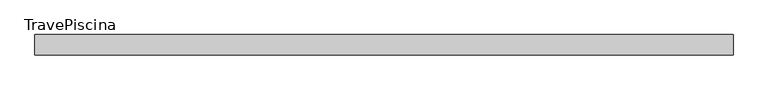
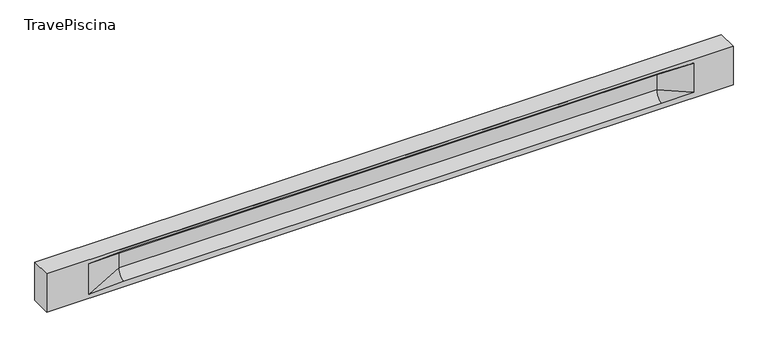
"""IFC4 building model written with IfcOpenShell, lengths in millimetres: beam geometry, TravePiscina."""

from ifc_helpers import new_model, si_unit, frame, origin, place, context, project, spatial, polyline, circle_curve, source, transform, mapped, element, save
from ifc_brep_helpers import plane_surface, revolved_surface, spline_surface, advanced_brep


def travepiscina_06851002(model_context):
    return source(origin(), model_context, "Body", "AdvancedBrep", [
        advanced_brep(
        [(8498.5, -250.0, 500.0), (8498.5, -250.0, -500.0), (8498.5, 250.0, -500.0), (8498.5, 250.0, 500.0), (-8498.5, -250.0, 500.0), (-8498.5, -250.0, -500.0), (7523.5, -250.0, -362.0), (6723.5, -250.0, -360.0), (-6598.5, -250.0, -360.0), (-7448.5, -250.0, -400.0), (-7448.5, -250.0, 400.0), (-6598.5, -250.0, 435.0), (6723.5, -250.0, 435.0), (7523.5, -250.0, 400.0), (-8498.5, 250.0, -500.0), (-8498.5, 250.0, 500.0), (7523.5, 250.0, 400.0), (6723.5, 250.0, 435.0), (-6598.5, 250.0, 435.0), (-7448.5, 250.0, 400.0), (-7448.5, 250.0, -400.0), (-6598.5, 250.0, -360.0), (6723.5, 250.0, -360.0), (7523.5, 250.0, -362.0), (6723.5, 155.0, 405.0), (-6598.5, 155.0, 405.0), (-6598.5, -60.0, 262.777021), (6723.5, -60.0, 262.777021), (6723.5, -155.0, 405.0), (-6598.5, -155.0, 405.0), (-6598.5, 60.0, 262.777021), (6723.5, 60.0, 262.777021), (6723.5, 60.0, -120.0), (-6598.5, 60.0, -120.0), (-6598.5, -60.0, -120.0), (6723.5, -60.0, -120.0)],
        [
            (0, 1),
            (1, 2),
            (2, 3),
            (3, 0),
            (0, 4),
            (4, 5),
            (5, 1),
            (6, 7),
            (7, 8),
            (8, 9),
            (9, 10),
            (10, 11),
            (11, 12),
            (12, 13),
            (13, 6),
            (5, 14),
            (14, 2),
            (14, 15),
            (15, 3),
            (16, 17),
            (17, 18),
            (18, 19),
            (19, 20),
            (20, 21),
            (21, 22),
            (22, 23),
            (23, 16),
            (15, 4),
            (17, 24),
            (24, 25),
            (25, 18),
            (26, 27),
            (27, 28, circle_curve(frame((6723.5, -213.9598725, 262.777021), z_axis=(1.0, 0.0, 0.0), x_axis=(0.0, 1.0, 0.0)), 153.9598725)),
            (28, 29),
            (29, 26, circle_curve(frame((-6598.5, -213.9598725, 262.777021), z_axis=(-1.0, 0.0, 0.0), x_axis=(0.0, 1.0, 0.0)), 153.9598725)),
            (30, 31),
            (31, 32),
            (32, 33),
            (33, 30),
            (28, 12),
            (11, 29),
            (34, 35),
            (35, 27),
            (26, 34),
            (25, 19),
            (22, 32, circle_curve(frame((6723.5, 306.5789474, -120.0), z_axis=(-1.0, 0.0, 0.0), x_axis=(0.0, 1.0, 0.0)), 246.5789474)),
            (32, 23),
            (10, 29),
            (10, 26),
            (13, 28),
            (27, 13),
            (30, 19),
            (25, 30, circle_curve(frame((-6598.5, 213.9598725, 262.777021), z_axis=(1.0, 0.0, 0.0), x_axis=(0.0, 1.0, 0.0)), 153.9598725)),
            (9, 34),
            (8, 34, circle_curve(frame((-6598.5, -306.5789474, -120.0), z_axis=(1.0, 0.0, 0.0), x_axis=(0.0, 1.0, 0.0)), 246.5789474)),
            (20, 33),
            (33, 21, circle_curve(frame((-6598.5, 306.5789474, -120.0), z_axis=(1.0, 0.0, 0.0), x_axis=(0.0, 1.0, 0.0)), 246.5789474)),
            (35, 6),
            (35, 7, circle_curve(frame((6723.5, -306.5789474, -120.0), z_axis=(-1.0, 0.0, 0.0), x_axis=(0.0, 1.0, 0.0)), 246.5789474)),
            (31, 16),
            (31, 24, circle_curve(frame((6723.5, 213.9598725, 262.777021), z_axis=(-1.0, 0.0, 0.0), x_axis=(0.0, 1.0, 0.0)), 153.9598725)),
            (24, 16),
        ],
        [
            plane_surface(frame((8498.5, 0.0, 0.0), z_axis=(1.0, 0.0, 0.0), x_axis=(0.0, 0.0, 1.0))),
            plane_surface(frame((8498.5, -250.0, 500.0), z_axis=(0.0, -1.0, 0.0), x_axis=(-1.0, 0.0, 0.0))),
            plane_surface(frame((8498.5, -250.0, -500.0), z_axis=(0.0, 0.0, -1.0), x_axis=(-1.0, 0.0, 0.0))),
            plane_surface(frame((8498.5, 250.0, -500.0), z_axis=(0.0, 1.0, 0.0), x_axis=(-1.0, 0.0, 0.0))),
            plane_surface(frame((8498.5, 250.0, 500.0), z_axis=(0.0, 0.0, 1.0), x_axis=(-1.0, 0.0, 0.0))),
            plane_surface(frame((-6598.5, 250.0, 435.0), z_axis=(0.0, 0.30113136793710954, -0.9535826651341378), x_axis=(1.0, 0.0, 0.0))),
            plane_surface(frame((-8498.5, 0.0, 0.0), z_axis=(-1.0, 0.0, 0.0), x_axis=(0.0, 0.0, 1.0))),
            revolved_surface(polyline([(6723.5, -60.0, 262.777021), (-6598.5, -60.0, 262.777021)]), (-6598.5, -213.9598725, 262.777021), (1.0, 0.0, 0.0)),
            plane_surface(frame((-6598.5, 60.0, 262.777021), z_axis=(0.0, 1.0, 0.0), x_axis=(1.0, 0.0, 0.0))),
            plane_surface(frame((-6598.5, -155.0, 405.0), z_axis=(0.0, -0.30113136793710693, -0.9535826651341387), x_axis=(1.0, 0.0, 0.0))),
            plane_surface(frame((-6598.5, -60.0, -120.0), z_axis=(0.0, -1.0, 0.0), x_axis=(1.0, 0.0, 0.0))),
            plane_surface(frame((-7448.5, 250.0, 400.0), z_axis=(0.03923493491469455, 0.30089950084952793, -0.9528484193567961), x_axis=(0.0, 0.9535826651341378, 0.30113136793710954))),
            spline_surface(2, 1, [[(6723.5, 250.0, -360.0), (7523.5, 250.0, -362.0)], [(6723.5, 60.00000002887427, -315.20833329480604), (7523.5, 250.0, -362.0)], [(6723.5, 60.0, -120.0), (7523.5, 250.0, -362.0)]], [3, 3], [2, 2], [0.0, 1.0], [0.0, 1.0], weights=[[1.0, 1.0], [0.7840458245391329, 0.7840458245391329], [1.0, 1.0]]),
            plane_surface(frame((-7448.5, -250.0, 400.0), z_axis=(0.039234934914694576, -0.3008995008495253, -0.952848419356797), x_axis=(0.0, 0.9535826651341387, -0.30113136793710693))),
            spline_surface(2, 1, [[(-7448.5, -250.0, 400.0), (-6598.5, -155.0, 405.0)], [(-7448.5, -250.0, 400.0), (-6598.5, -60.00000008030692, 365.6168572114734)], [(-7448.5, -250.0, 400.0), (-6598.5, -60.0, 262.777021)]], [3, 3], [2, 2], [0.0, 1.0], [0.0, 1.0], weights=[[1.0, 1.0], [0.8315515924557569, 0.8315515924557569], [1.0, 1.0]]),
            spline_surface(2, 1, [[(6723.5, -155.0, 405.0), (7523.5, -250.0, 400.0)], [(6723.5, -60.00000008030692, 365.6168572114734), (7523.5, -250.0, 400.0)], [(6723.5, -60.0, 262.777021), (7523.5, -250.0, 400.0)]], [3, 3], [2, 2], [0.0, 1.0], [0.0, 1.0], weights=[[1.0, 1.0], [0.8315515924557569, 0.8315515924557569], [1.0, 1.0]]),
            plane_surface(frame((6723.5, -202.5, 420.0), z_axis=(-0.04168298285568746, -0.30086965068766125, -0.9527538938442274), x_axis=(0.0, 0.9535826651341387, -0.30113136793710693))),
            spline_surface(2, 1, [[(-7448.5, 250.0, 400.0), (-6598.5, 60.0, 262.777021)], [(-7448.5, 250.0, 400.0), (-6598.5, 59.99999995452379, 365.6168572954922)], [(-7448.5, 250.0, 400.0), (-6598.5, 155.0, 405.0)]], [3, 3], [2, 2], [0.0, 1.0], [0.0, 1.0], weights=[[1.0, 1.0], [0.8315515921160737, 0.8315515921160737], [1.0, 1.0]]),
            plane_surface(frame((-7448.5, -250.0, 0.0), z_axis=(0.21814596370705333, -0.9759161534262669, 0.0), x_axis=(0.0, 0.0, -1.0))),
            spline_surface(2, 1, [[(-7448.5, -250.0, -400.0), (-6598.5, -60.0, -120.0)], [(-7448.5, -250.0, -400.0), (-6598.5, -59.99999998020837, -315.20833333333337)], [(-7448.5, -250.0, -400.0), (-6598.5, -250.0, -360.0)]], [3, 3], [2, 2], [0.0, 1.0], [0.0, 1.0], weights=[[1.0, 1.0], [0.7840458244617614, 0.7840458244617614], [1.0, 1.0]]),
            spline_surface(2, 1, [[(-7448.5, 250.0, -400.0), (-6598.5, 250.0, -360.0)], [(-7448.5, 250.0, -400.0), (-6598.5, 60.00000002887427, -315.20833329480604)], [(-7448.5, 250.0, -400.0), (-6598.5, 60.0, -120.0)]], [3, 3], [2, 2], [0.0, 1.0], [0.0, 1.0], weights=[[1.0, 1.0], [0.7840458245391329, 0.7840458245391329], [1.0, 1.0]]),
            plane_surface(frame((-7448.5, 250.0, 0.0), z_axis=(0.2181459637070493, 0.9759161534262679, 0.0), x_axis=(0.0, 0.0, 1.0))),
            plane_surface(frame((6723.5, -60.0, 71.3885105), z_axis=(-0.23107243079589737, -0.9729365507195602, 0.0), x_axis=(0.0, 0.0, -1.0))),
            spline_surface(2, 1, [[(6723.5, -60.0, -120.0), (7523.5, -250.0, -362.0)], [(6723.5, -59.99999998020837, -315.20833333333337), (7523.5, -250.0, -362.0)], [(6723.5, -250.0, -360.0), (7523.5, -250.0, -362.0)]], [3, 3], [2, 2], [0.0, 1.0], [0.0, 1.0], weights=[[1.0, 1.0], [0.7840458244617614, 0.7840458244617614], [1.0, 1.0]]),
            plane_surface(frame((6723.5, 60.0, 71.3885105), z_axis=(-0.23107243079589093, 0.9729365507195618, 0.0), x_axis=(0.0, 0.0, 1.0))),
            spline_surface(2, 1, [[(6723.5, 60.0, 262.777021), (7523.5, 250.0, 400.0)], [(6723.5, 59.99999995452379, 365.6168572954922), (7523.5, 250.0, 400.0)], [(6723.5, 155.0, 405.0), (7523.5, 250.0, 400.0)]], [3, 3], [2, 2], [0.0, 1.0], [0.0, 1.0], weights=[[1.0, 1.0], [0.8315515921160737, 0.8315515921160737], [1.0, 1.0]]),
            plane_surface(frame((6723.5, 202.5, 420.0), z_axis=(-0.04168298285568672, 0.30086965068766386, -0.9527538938442265), x_axis=(0.0, 0.9535826651341378, 0.30113136793710954))),
            revolved_surface(polyline([(6723.5, 367.919745, 262.777021), (-6598.5, 367.919745, 262.777021)]), (-6598.5, 213.9598725, 262.777021), (1.0, 0.0, 0.0)),
            revolved_surface(polyline([(6723.5, 553.1578948, -120.0), (-6598.5, 553.1578948, -120.0)]), (-6598.5, 306.5789474, -120.0), (1.0, 0.0, 0.0)),
            revolved_surface(polyline([(6723.5, -60.0, -120.0), (-6598.5, -60.0, -120.0)]), (-6598.5, -306.5789474, -120.0), (1.0, 0.0, 0.0)),
        ],
        [
            (0, [[1, 2, 3, 4]]),
            (1, [[-1, 5, 6, 7], [8, 9, 10, 11, 12, 13, 14, 15]]),
            (2, [[-2, -7, 16, 17]]),
            (3, [[-3, -17, 18, 19], [20, 21, 22, 23, 24, 25, 26, 27]]),
            (4, [[-5, -4, -19, 28]]),
            (5, [[-21, 29, 30, 31]]),
            (6, [[-28, -18, -16, -6]]),
            (7, [[32, 33, 34, 35]]),
            (8, [[36, 37, 38, 39]]),
            (9, [[-34, 40, -13, 41]]),
            (10, [[42, 43, -32, 44]]),
            (11, [[45, -22, -31]]),
            (12, [[-26, 46, 47]]),
            (13, [[-12, 48, -41]]),
            (14, [[-48, 49, -35]]),
            (15, [[50, -33, 51]]),
            (16, [[-14, -40, -50]]),
            (17, [[52, -45, 53]]),
            (18, [[-49, -11, 54, -44]]),
            (19, [[-54, -10, 55]]),
            (20, [[-24, 56, 57]]),
            (21, [[-52, -39, -56, -23]]),
            (22, [[-51, -43, 58, -15]]),
            (23, [[-58, 59, -8]]),
            (24, [[-47, -37, 60, -27]]),
            (25, [[-60, 61, 62]]),
            (26, [[-62, -29, -20]]),
            (27, [[-30, -61, -36, -53]]),
            (28, [[-38, -46, -25, -57]]),
            (29, [[-9, -59, -42, -55]]),
        ],
    ),
    ])


if __name__ == "__main__":
    model = new_model("IFC4")
    model_context = context("Model", 3, world=origin())
    ifc_project = project(units=[si_unit("LENGTHUNIT", "METRE", prefix="MILLI")], contexts=[model_context])
    site = spatial("IfcSite", under=ifc_project)
    building = spatial("IfcBuilding", under=site)
    placement = place(None, origin())
    travepiscina_shape = travepiscina_06851002(model_context)
    element("IfcBeam", 1, ObjectType="TravePiscina", at=placement, inside=building, context=model_context, shape_type="MappedRepresentation", body=[
        mapped(travepiscina_shape, transform((0.0, 0.0, 0.0), x_axis=(1.0, 0.0, 0.0), y_axis=(0.0, 1.0, 0.0), z_axis=(0.0, 0.0, 1.0))),
    ])
    save(model, "model.ifc")
